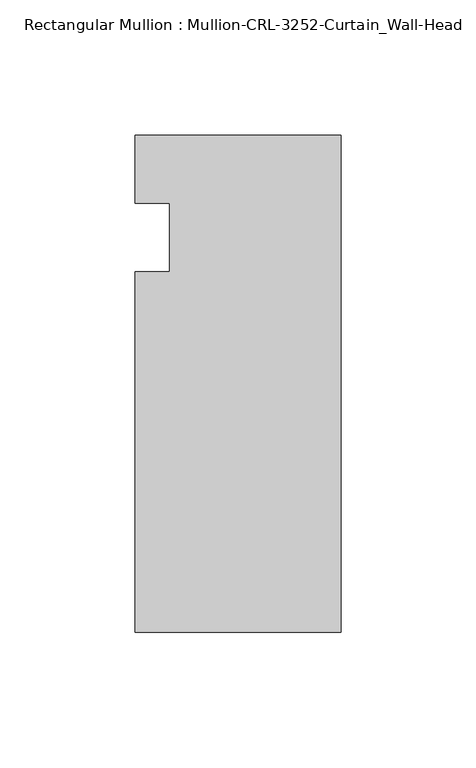
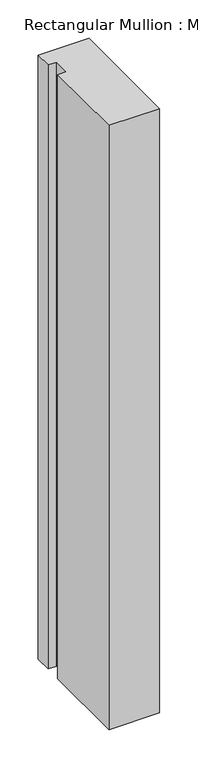
"""IFC4 building model written with IfcOpenShell, lengths in millimetres: member geometry, Rectangular Mullion : Mullion-CRL-3252-Curtain_Wall-Head."""

import ifcopenshell
import ifcopenshell.guid

model = None  # the IFC model being written
_history = None  # IfcOwnerHistory: only IFC2X3 demands one
_inside = {}  # id of a spatial element -> (the spatial element, [elements in it])
_under = {}  # id of a project, library or spatial element -> (it, [spatial elements below it])
_declared = {}  # id of a project -> (the project, [libraries it declares])
_typed = {}  # id of a type object -> (the type object, [elements of that type])
_made_of = {}  # id of a material, layer set ... -> (it, [elements and type objects made of it])


def new_model(schema):
    """Start an empty IFC model of exactly this schema.

    Asked for "IFC4X3", IfcOpenShell would pick the latest addendum, in which some entities
    have other attributes; the version numbers below select the first issue.
    IFC2X3 requires an IfcOwnerHistory on every rooted entity: one is made here for all.
    """
    global model, _history
    if schema == "IFC4X3":
        model = ifcopenshell.file(schema_version=(4, 3, 0, 0))
    else:
        model = ifcopenshell.file(schema=schema)
    _inside.clear()
    _under.clear()
    _declared.clear()
    _typed.clear()
    _made_of.clear()
    _history = None
    if model.schema == "IFC2X3":
        org = make("IfcOrganization", Name="unknown")
        user = make(
            "IfcPersonAndOrganization",
            ThePerson=make("IfcPerson", FamilyName="unknown"),
            TheOrganization=org,
        )
        app = make(
            "IfcApplication",
            ApplicationDeveloper=org,
            Version="unknown",
            ApplicationFullName="unknown",
            ApplicationIdentifier="unknown",
        )
        _history = make(
            "IfcOwnerHistory",
            OwningUser=user,
            OwningApplication=app,
            ChangeAction="ADDED",
            CreationDate=0,
        )
    return model


def make(cls, **values):
    """One entity of the class cls with the attributes given. An attribute that is None is left unset."""
    return model.create_entity(
        cls, **{name: value for name, value in values.items() if value is not None}
    )


def rooted(cls, **values):
    """An entity with a GlobalId (a new one), such as an element, a storey or a relation."""
    return make(cls, GlobalId=ifcopenshell.guid.new(), OwnerHistory=_history, **values)


def si_unit(unit_type, name, prefix=None):
    """IfcSIUnit, for example si_unit("LENGTHUNIT", "METRE", prefix="MILLI")."""
    return make("IfcSIUnit", UnitType=unit_type, Prefix=prefix, Name=name)


def assignment(units):
    """IfcUnitAssignment: the units of a project."""
    return None if units is None else make("IfcUnitAssignment", Units=units)


def point(xyz):
    """IfcCartesianPoint."""
    return None if xyz is None else make("IfcCartesianPoint", Coordinates=xyz)


def direction(xyz):
    """IfcDirection."""
    return None if xyz is None else make("IfcDirection", DirectionRatios=xyz)


def frame(location, z_axis=None, x_axis=None):
    """IfcAxis2Placement3D, a coordinate frame: its origin and axes. An axis left out is left unset."""
    return make(
        "IfcAxis2Placement3D",
        Location=point(location),
        Axis=direction(z_axis),
        RefDirection=direction(x_axis),
    )


def origin():
    """The frame at (0, 0, 0) with its axes left unset."""
    return frame((0.0, 0.0, 0.0))


def place(relative_to, where):
    """IfcLocalPlacement: puts the frame where relative to a parent placement (None: the world)."""
    return make(
        "IfcLocalPlacement", PlacementRelTo=relative_to, RelativePlacement=where
    )


def context(
    kind, dimensions, precision=None, world=None, true_north=None, identifier=None
):
    """IfcGeometricRepresentationContext, for example the 3D "Model" context."""
    return make(
        "IfcGeometricRepresentationContext",
        ContextIdentifier=identifier,
        ContextType=kind,
        CoordinateSpaceDimension=dimensions,
        Precision=precision,
        WorldCoordinateSystem=world,
        TrueNorth=true_north,
    )


def project(units=None, contexts=None):
    """IfcProject with its units and contexts."""
    return rooted(
        "IfcProject",
        Name="project",
        RepresentationContexts=contexts,
        UnitsInContext=assignment(units),
    )


def spatial(cls, under=None, at=None, **own):
    """A site, building, storey or space (cls), placed at a placement, below another one or the project."""
    s = rooted(cls, ObjectPlacement=at, **own)
    if under is not None:
        _under.setdefault(under.id(), (under, []))[1].append(s)
    return s


def polyline(points):
    """IfcPolyline through the points."""
    return make("IfcPolyline", Points=[point(p) for p in points])


def outline(outer, holes=None, kind="AREA"):
    """IfcArbitraryClosedProfileDef: a profile drawn as a closed curve; with holes, ...WithVoids."""
    if holes is None:
        return make("IfcArbitraryClosedProfileDef", ProfileType=kind, OuterCurve=outer)
    return make(
        "IfcArbitraryProfileDefWithVoids",
        ProfileType=kind,
        OuterCurve=outer,
        InnerCurves=holes,
    )


def extrude(swept, where, along, depth):
    """IfcExtrudedAreaSolid: the profile swept, set in the frame where, extruded along a direction by depth."""
    return make(
        "IfcExtrudedAreaSolid",
        SweptArea=swept,
        Position=where,
        ExtrudedDirection=direction(along),
        Depth=depth,
    )


def shape(context_of_items, identifier, shape_type, items):
    """IfcShapeRepresentation: the items that make up one representation, for example the "Body"."""
    return make(
        "IfcShapeRepresentation",
        ContextOfItems=context_of_items,
        RepresentationIdentifier=identifier,
        RepresentationType=shape_type,
        Items=items,
    )


def source(mapping_origin, context_of_items, identifier, shape_type, items):
    """IfcRepresentationMap: a shape defined once, which mapped items show again and again."""
    return make(
        "IfcRepresentationMap",
        MappingOrigin=mapping_origin,
        MappedRepresentation=shape(context_of_items, identifier, shape_type, items),
    )


def transform(
    local_origin,
    x_axis=None,
    y_axis=None,
    z_axis=None,
    scale=None,
    scale2=None,
    scale3=None,
    uniform=True,
):
    """IfcCartesianTransformationOperator3D, or its non-uniform kind. x_axis, y_axis, z_axis: its Axis1, 2, 3."""
    if uniform:
        return make(
            "IfcCartesianTransformationOperator3D",
            Axis1=direction(x_axis),
            Axis2=direction(y_axis),
            LocalOrigin=point(local_origin),
            Scale=scale,
            Axis3=direction(z_axis),
        )
    return make(
        "IfcCartesianTransformationOperator3DnonUniform",
        Axis1=direction(x_axis),
        Axis2=direction(y_axis),
        LocalOrigin=point(local_origin),
        Scale=scale,
        Axis3=direction(z_axis),
        Scale2=scale2,
        Scale3=scale3,
    )


def mapped(mapping_source, mapping_target):
    """IfcMappedItem: shows the shape of a source again, moved by a transform."""
    return make(
        "IfcMappedItem", MappingSource=mapping_source, MappingTarget=mapping_target
    )


def made_of(thing, what):
    """Note that an element or type object is made of a material, layer set ...; save() writes the relation."""
    if what is not None:
        _made_of.setdefault(what.id(), (what, []))[1].append(thing)
    return thing


def element(
    cls,
    number,
    at=None,
    inside=None,
    cuts=None,
    type_object=None,
    material=None,
    context=None,
    identifier="Body",
    shape_type=None,
    held_by="IfcProductDefinitionShape",
    body=None,
    shapes=None,
    **own,
):
    """One element of the class cls, such as IfcWall. Its Tag is "e" and its number.

    at: its placement. inside: the storey or other place that contains it. cuts: it is an
    opening in that element (IfcRelVoidsElement). A single representation is given by context,
    identifier, shape_type and body (its items); several are given by shapes. held_by: the class
    of the entity that holds the representations. save() writes the other relations.
    """
    e = rooted(cls, Tag="e%d" % number, ObjectPlacement=at, **own)
    if body is not None:
        shapes = [shape(context, identifier, shape_type, body)]
    if shapes is not None:
        e.Representation = make(held_by, Representations=shapes)
    if inside is not None:
        _inside.setdefault(inside.id(), (inside, []))[1].append(e)
    if cuts is not None:
        rooted(
            "IfcRelVoidsElement", RelatingBuildingElement=cuts, RelatedOpeningElement=e
        )
    if type_object is not None:
        _typed.setdefault(type_object.id(), (type_object, []))[1].append(e)
    return made_of(e, material)


def aggregate(whole, parts):
    """IfcRelAggregates: a whole, such as a stair, and the parts it consists of."""
    return rooted("IfcRelAggregates", RelatingObject=whole, RelatedObjects=parts)


def save(model, path):
    """Write the relations noted so far, then the file.

    IfcRelAggregates (storeys below a building ...), IfcRelContainedInSpatialStructure (elements
    in a storey), IfcRelDefinesByType, IfcRelAssociatesMaterial and IfcRelDeclares: one each for
    every whole, place, type object, material and project.
    """
    for whole, parts in _under.values():
        aggregate(whole, parts)
    for where, things in _inside.values():
        rooted(
            "IfcRelContainedInSpatialStructure",
            RelatedElements=things,
            RelatingStructure=where,
        )
    for kind, things in _typed.values():
        rooted("IfcRelDefinesByType", RelatedObjects=things, RelatingType=kind)
    for what, things in _made_of.values():
        rooted("IfcRelAssociatesMaterial", RelatedObjects=things, RelatingMaterial=what)
    for by, libraries in _declared.values():
        rooted("IfcRelDeclares", RelatingContext=by, RelatedDefinitions=libraries)
    model.write(path)


def rectangular_mullion_mullion_crl_3252_curtain_wall_head_1dfacc31(model_context):
    return source(origin(), model_context, "Body", "SweptSolid", [
        extrude(outline(polyline([(0.0, -146.0054758), (-76.1947014, -146.0054758), (-76.1947014, -12.7), (-63.5026672, -12.7), (-63.5026672, 12.7), (-76.1947014, 12.7), (-76.1947014, 37.87102), (0.0, 37.87102), (0.0, -146.0054758)])), frame((0.0, 0.0, -959.1124962), z_axis=(0.0, 0.0, 1.0), x_axis=(1.0, 0.0, 0.0)), (0.0, 0.0, 1.0), 959.1124962),
    ])


if __name__ == "__main__":
    model = new_model("IFC4")
    model_context = context("Model", 3, world=origin())
    ifc_project = project(units=[si_unit("LENGTHUNIT", "METRE", prefix="MILLI")], contexts=[model_context])
    site = spatial("IfcSite", under=ifc_project)
    building = spatial("IfcBuilding", under=site)
    placement = place(None, origin())
    rectangular_mullion_mullion_crl_3252_curtain_wall_head_shape = rectangular_mullion_mullion_crl_3252_curtain_wall_head_1dfacc31(model_context)
    element("IfcMember", 1, ObjectType="Rectangular Mullion : Mullion-CRL-3252-Curtain_Wall-Head", at=placement, inside=building, context=model_context, shape_type="MappedRepresentation", body=[
        mapped(rectangular_mullion_mullion_crl_3252_curtain_wall_head_shape, transform((0.0, 0.0, 0.0), x_axis=(1.0, 0.0, 0.0), y_axis=(0.0, 1.0, 0.0), z_axis=(0.0, 0.0, 1.0))),
    ])
    save(model, "model.ifc")
